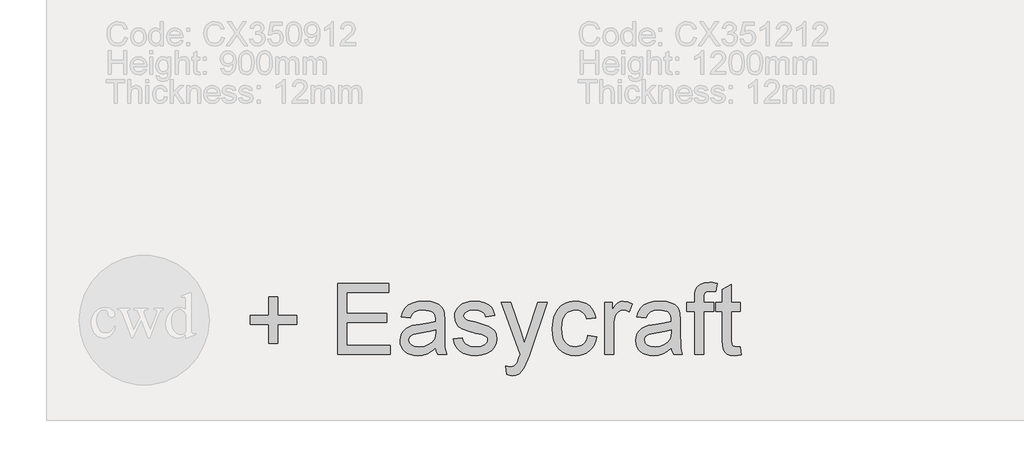
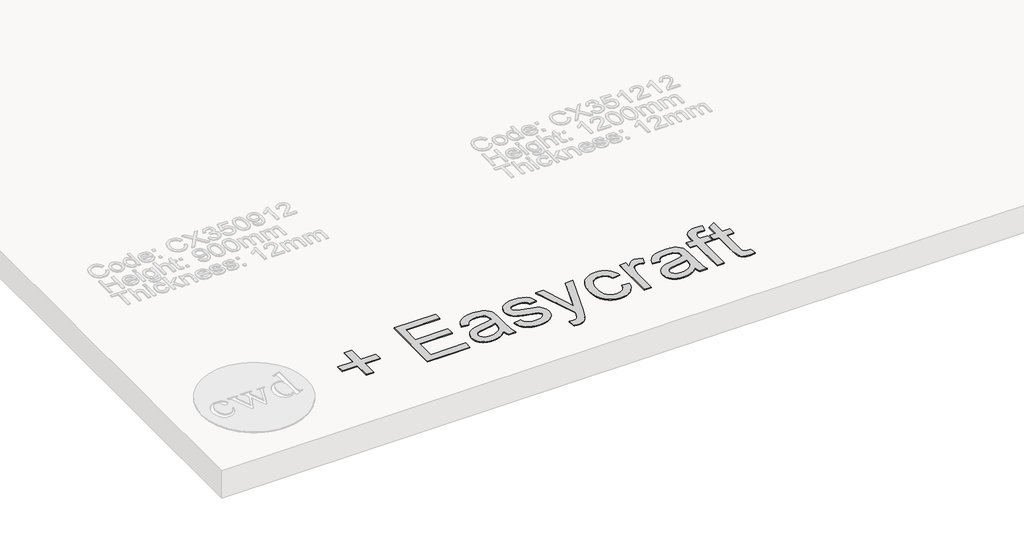
# One storey, part 14 of 95: 1 proxy.
"""IFC4 building model written with IfcOpenShell, lengths in millimetres."""

from ifc_helpers import new_model, si_unit, origin, origin_with_axes, place, context, project, spatial, polyline, outline, extrude, element, save

model = new_model("IFC4")

# Units and contexts
model_context = context("Model", 3, world=origin())
ifc_project = project(units=[si_unit("LENGTHUNIT", "METRE", prefix="MILLI")], contexts=[model_context])

# Site, building, storey
site = spatial("IfcSite", under=ifc_project)
building = spatial("IfcBuilding", under=site)
storey = spatial("IfcBuildingStorey", under=building, Elevation=0.0)

# Proxy
placement = place(None, origin())
element("IfcBuildingElementProxy", 1, Name="600mm", ObjectType="600mm", at=placement, inside=storey, context=model_context, shape_type="SweptSolid", body=[
    extrude(outline(polyline([(-4009.381664, -27827.0991863), (-4009.381664, -27666.996942), (-4169.4839083, -27666.996942), (-4169.4839083, -27591.6547094), (-4009.381664, -27591.6547094), (-4009.381664, -27431.5524651), (-3934.0394314, -27431.5524651), (-3934.0394314, -27591.6547094), (-3773.9371871, -27591.6547094), (-3773.9371871, -27666.996942), (-3934.0394314, -27666.996942), (-3934.0394314, -27827.0991863), (-4009.381664, -27827.0991863)])), origin_with_axes(), (0.0, 0.0, 1.0), 10.0),
    extrude(outline(polyline([(-3425.4793612, -27921.2769771), (-3425.4793612, -27318.5391162), (-2992.2615237, -27318.5391162), (-2992.2615237, -27393.8813488), (-3350.1371286, -27393.8813488), (-3350.1371286, -27572.8191513), (-3011.0970819, -27572.8191513), (-3011.0970819, -27648.1613839), (-3350.1371286, -27648.1613839), (-3350.1371286, -27845.9347445), (-2982.8437446, -27845.9347445), (-2982.8437446, -27921.2769771), (-3425.4793612, -27921.2769771)])), origin_with_axes(), (0.0, 0.0, 1.0), 10.0),
    extrude(outline(polyline([(-2596.7148025, -27864.7703026), (-2632.7120557, -27895.635602), (-2669.7761668, -27915.8323236), (-2708.7532641, -27926.979148), (-2750.4894765, -27930.6947562), (-2784.0357159, -27928.4598731), (-2813.45248, -27921.7552237), (-2838.7397686, -27910.5808081), (-2859.8975819, -27894.9366262), (-2876.604023, -27875.8159596), (-2888.5371952, -27854.2120894), (-2895.6970985, -27830.1250157), (-2898.083733, -27803.5547386), (-2894.4784894, -27772.3215573), (-2883.6627587, -27743.9578554), (-2866.9793103, -27719.6776437), (-2845.7709132, -27700.6949328), (-2820.8469081, -27686.347535), (-2793.0166351, -27675.9732627), (-2727.8279456, -27664.6424973), (-2650.7934558, -27652.7231206), (-2597.1562609, -27638.7436048), (-2596.7148025, -27621.9681858), (-2601.9019386, -27588.3437715), (-2608.3858588, -27575.8909659), (-2617.463347, -27566.3444282), (-2633.1535141, -27556.8162845), (-2652.2649838, -27550.0104676), (-2700.7518307, -27544.565814), (-2745.6334342, -27548.1894517), (-2776.9769801, -27559.0603647), (-2798.3509241, -27579.1651157), (-2813.3237213, -27610.4902676), (-2888.6659539, -27601.0724885), (-2875.587749, -27559.869705), (-2856.0716091, -27527.4960895), (-2828.2965185, -27502.7376312), (-2790.4414612, -27484.3803196), (-2744.1435121, -27473.012766), (-2691.0397461, -27469.2235814), (-2640.1064838, -27472.5713076), (-2599.7314349, -27482.6144861), (-2569.2891998, -27497.716042), (-2548.1543791, -27516.2389004), (-2534.1380751, -27539.1395546), (-2525.0513899, -27567.3744977), (-2521.3725699, -27633.2989513), (-2521.3725699, -27727.0352837), (-2517.5465971, -27857.9276975), (-2511.8812144, -27890.282919), (-2502.5370117, -27921.2769771), (-2577.8792444, -27921.2769771), (-2589.9457738, -27895.083779), (-2596.7148025, -27864.7703026)]), holes=[polyline([(-2596.7148025, -27714.0858374), (-2647.335365, -27726.6306135), (-2718.2630137, -27737.1888267), (-2783.0838213, -27749.402509), (-2799.9512107, -27757.7534302), (-2812.4408045, -27769.2681367), (-2820.1663264, -27783.0637115), (-2822.7415003, -27798.2572379), (-2817.1312999, -27820.6612514), (-2800.3006986, -27839.018563), (-2772.6175785, -27851.2690334), (-2734.4498215, -27855.3525236), (-2693.982802, -27850.8459691), (-2658.2246721, -27837.3263058), (-2629.2355709, -27817.4054958), (-2609.0756375, -27793.6955012), (-2600.1361051, -27769.2681367), (-2597.1562609, -27735.4229931), (-2596.7148025, -27714.0858374)])]), origin_with_axes(), (0.0, 0.0, 1.0), 10.0),
    extrude(outline(polyline([(-2446.0303373, -27789.42807), (-2370.6881047, -27780.010291), (-2366.135565, -27797.1903801), (-2358.8055162, -27812.2367537), (-2348.6979584, -27825.1494118), (-2335.8128915, -27835.9283542), (-2320.1135274, -27844.4264283), (-2301.5630778, -27850.4964812), (-2255.9089222, -27855.3525236), (-2210.8065896, -27850.9011514), (-2193.2770125, -27845.3369362), (-2179.0951616, -27837.547035), (-2160.3331798, -27818.1964421), (-2155.6426844, -27807.3623173), (-2154.0791859, -27795.7556403), (-2155.6518814, -27785.5837032), (-2160.369968, -27776.5522002), (-2179.2423144, -27761.9104968), (-2207.4588634, -27752.3455649), (-2256.791839, -27740.4261883), (-2325.5489839, -27720.5421664), (-2370.2466463, -27703.5644124), (-2398.959836, -27685.0415539), (-2419.7635628, -27660.5222189), (-2432.4003094, -27631.5699059), (-2436.6125582, -27599.7481133), (-2433.2280439, -27570.556677), (-2423.0745008, -27543.6093209), (-2407.071634, -27519.9729027), (-2386.1391485, -27500.7142802), (-2365.3354216, -27488.5925685), (-2338.2409127, -27478.4206313), (-2306.9157608, -27471.5228439), (-2273.4201052, -27469.2235814), (-2224.3814352, -27472.9207955), (-2181.743912, -27484.0124376), (-2147.45731, -27501.413256), (-2123.4714039, -27524.0379987), (-2107.5789017, -27553.5605288), (-2097.5725115, -27591.6547094), (-2172.9147441, -27601.0724885), (-2182.4244936, -27577.3624939), (-2201.2416577, -27559.501823), (-2229.5501772, -27548.2998163), (-2267.5339932, -27544.565814), (-2310.7969159, -27548.1342694), (-2339.6388643, -27558.8396355), (-2355.8624603, -27574.2906793), (-2361.2703256, -27592.0961678), (-2359.0262454, -27603.6844507), (-2352.2940049, -27614.0219347), (-2340.7792985, -27623.2557728), (-2324.1878205, -27630.6502009), (-2259.2934365, -27646.6898559), (-2148.7081088, -27682.1536802), (-2119.4982784, -27699.1130402), (-2097.3517823, -27722.3263941), (-2083.3906605, -27751.8673183), (-2078.7369533, -27787.8093893), (-2084.2000009, -27824.9654708), (-2100.5891438, -27859.9142603), (-2127.2789826, -27889.915037), (-2163.6441178, -27912.22708), (-2207.569228, -27926.0778371), (-2256.9389918, -27930.6947562), (-2297.4887847, -27928.4690701), (-2332.9066238, -27921.7920119), (-2363.192509, -27910.6635815), (-2388.3464404, -27895.083779), (-2408.8926499, -27875.1261808), (-2425.3553692, -27850.8643632), (-2437.7345983, -27822.2983263), (-2446.0303373, -27789.42807)])), origin_with_axes(), (0.0, 0.0, 1.0), 10.0),
    extrude(outline(polyline([(-1993.9769416, -28090.7970005), (-2003.3947207, -28018.250671), (-1965.1349932, -28024.8725469), (-1945.0118481, -28022.7940137), (-1929.3768633, -28016.5584139), (-1917.1999692, -28006.6072059), (-1907.4510963, -27993.3818482), (-1886.8497046, -27937.9052433), (-1880.9635927, -27919.6582963), (-2041.065837, -27478.6413605), (-1961.603326, -27478.6413605), (-1876.6961616, -27724.3865333), (-1847.1184491, -27822.6846024), (-1817.5407367, -27735.8644515), (-1730.2791275, -27478.6413605), (-1651.4052277, -27478.6413605), (-1805.4742073, -27931.8719786), (-1845.4997684, -28030.1700477), (-1865.9907955, -28061.5503819), (-1889.2041494, -28083.2922078), (-1916.1698996, -28095.9841366), (-1947.9181158, -28100.2147796), (-1969.7335181, -28097.8603348), (-1993.9769416, -28090.7970005)])), origin_with_axes(), (0.0, 0.0, 1.0), 10.0),
    extrude(outline(polyline([(-1306.479069, -27761.1747328), (-1231.1368364, -27770.5925119), (-1239.3314079, -27806.1437082), (-1252.1428983, -27837.6022173), (-1269.5713079, -27864.9680392), (-1291.6166364, -27888.2411739), (-1317.349982, -27906.8146162), (-1345.8424425, -27920.0813606), (-1377.094018, -27928.0414073), (-1411.1047085, -27930.6947562), (-1453.3605541, -27926.9929436), (-1491.2478011, -27915.8875059), (-1524.7664494, -27897.378443), (-1553.916499, -27871.465755), (-1577.5115304, -27838.6368854), (-1594.3651244, -27799.379278), (-1604.4772807, -27753.6929327), (-1607.8479995, -27701.5778496), (-1602.0906463, -27634.531356), (-1594.8939547, -27604.3604338), (-1584.8185866, -27576.4243948), (-1571.7955639, -27551.284259), (-1555.755909, -27529.5010463), (-1536.6996216, -27511.0747569), (-1514.6267019, -27496.0053907), (-1490.5350297, -27484.2883491), (-1465.422485, -27475.9190337), (-1439.2890678, -27470.8974445), (-1412.134778, -27469.2235814), (-1378.7081003, -27471.5228439), (-1348.4727988, -27478.4206313), (-1321.4288736, -27489.9169437), (-1297.5763247, -27506.0117809), (-1277.3198224, -27526.3372612), (-1261.0640367, -27550.5255024), (-1248.8089678, -27578.5765045), (-1240.5546155, -27610.4902676), (-1315.8968481, -27619.9080467), (-1329.5636642, -27587.0377904), (-1350.8456376, -27563.4749486), (-1378.565546, -27549.2930977), (-1411.5461669, -27544.565814), (-1437.1461552, -27546.8926677), (-1460.2353489, -27553.8732285), (-1480.813748, -27565.5074966), (-1498.8813525, -27581.795472), (-1513.5920338, -27603.1142336), (-1524.0996633, -27629.8408605), (-1530.404241, -27661.9753528), (-1532.5057669, -27699.5177104), (-1530.4502262, -27737.6256866), (-1524.2836043, -27770.1326594), (-1514.005901, -27797.0386288), (-1499.6171165, -27818.3435949), (-1481.908197, -27834.5350012), (-1461.6700887, -27846.1002914), (-1438.9027917, -27853.0394655), (-1413.606306, -27855.3525236), (-1374.5924204, -27849.5767762), (-1357.7204324, -27842.3570921), (-1342.605081, -27832.2495343), (-1329.6694303, -27819.1437382), (-1319.3365448, -27802.9293393), (-1311.6064243, -27783.6063375), (-1306.479069, -27761.1747328)])), origin_with_axes(), (0.0, 0.0, 1.0), 10.0),
    extrude(outline(polyline([(-1165.2123829, -27921.2769771), (-1165.2123829, -27478.6413605), (-1099.2879293, -27478.6413605), (-1099.2879293, -27544.1243556), (-1074.9341413, -27506.1589337), (-1052.4933396, -27483.7917084), (-1029.9789615, -27472.8656132), (-1005.4044442, -27469.2235814), (-967.8804807, -27475.036117), (-929.767906, -27492.4737235), (-954.9310344, -27560.0168578), (-981.4185381, -27548.428575), (-1007.9060417, -27544.565814), (-1030.4020257, -27548.2814222), (-1050.5067768, -27559.4282466), (-1066.7487669, -27577.1601588), (-1077.656468, -27600.6310301), (-1086.8167297, -27642.7167304), (-1089.8701503, -27688.6284034), (-1089.8701503, -27921.2769771), (-1165.2123829, -27921.2769771)])), origin_with_axes(), (0.0, 0.0, 1.0), 10.0),
    extrude(outline(polyline([(-600.1456383, -27864.7703026), (-636.1428915, -27895.635602), (-673.2070025, -27915.8323236), (-712.1840999, -27926.979148), (-753.9203123, -27930.6947562), (-787.4665517, -27928.4598731), (-816.8833157, -27921.7552237), (-842.1706044, -27910.5808081), (-863.3284176, -27894.9366262), (-880.0348587, -27875.8159596), (-891.968031, -27854.2120894), (-899.1279343, -27830.1250157), (-901.5145687, -27803.5547386), (-897.9093252, -27772.3215573), (-887.0935945, -27743.9578554), (-870.410146, -27719.6776437), (-849.201749, -27700.6949328), (-824.2777438, -27686.347535), (-796.4474709, -27675.9732627), (-731.2587814, -27664.6424973), (-654.2242916, -27652.7231206), (-600.5870967, -27638.7436048), (-600.1456383, -27621.9681858), (-605.3327744, -27588.3437715), (-611.8166946, -27575.8909659), (-620.8941828, -27566.3444282), (-636.5843499, -27556.8162845), (-655.6958196, -27550.0104676), (-704.1826665, -27544.565814), (-749.0642699, -27548.1894517), (-780.4078159, -27559.0603647), (-801.7817598, -27579.1651157), (-816.754557, -27610.4902676), (-892.0967897, -27601.0724885), (-879.0185847, -27559.869705), (-859.5024449, -27527.4960895), (-831.7273543, -27502.7376312), (-793.8722969, -27484.3803196), (-747.5743479, -27473.012766), (-694.4705819, -27469.2235814), (-643.5373196, -27472.5713076), (-603.1622706, -27482.6144861), (-572.7200355, -27497.716042), (-551.5852149, -27516.2389004), (-537.5689109, -27539.1395546), (-528.4822256, -27567.3744977), (-524.8034057, -27633.2989513), (-524.8034057, -27727.0352837), (-520.9774329, -27857.9276975), (-515.3120502, -27890.282919), (-505.9678475, -27921.2769771), (-581.3100801, -27921.2769771), (-593.3766096, -27895.083779), (-600.1456383, -27864.7703026)]), holes=[polyline([(-600.1456383, -27714.0858374), (-650.7662008, -27726.6306135), (-721.6938495, -27737.1888267), (-786.514657, -27749.402509), (-803.3820465, -27757.7534302), (-815.8716403, -27769.2681367), (-823.5971622, -27783.0637115), (-826.1723361, -27798.2572379), (-820.5621357, -27820.6612514), (-803.7315344, -27839.018563), (-776.0484143, -27851.2690334), (-737.8806573, -27855.3525236), (-697.4136378, -27850.8459691), (-661.6555079, -27837.3263058), (-632.6664067, -27817.4054958), (-612.5064733, -27793.6955012), (-603.5669408, -27769.2681367), (-600.5870967, -27735.4229931), (-600.1456383, -27714.0858374)])]), origin_with_axes(), (0.0, 0.0, 1.0), 10.0),
    extrude(outline(polyline([(-402.3722777, -27921.2769771), (-402.3722777, -27553.9835931), (-468.2967312, -27553.9835931), (-468.2967312, -27478.6413605), (-402.3722777, -27478.6413605), (-402.3722777, -27434.0540627), (-400.3857149, -27397.1554986), (-394.4260266, -27371.2198179), (-379.2692884, -27346.167054), (-355.8719935, -27326.3382145), (-323.1304959, -27313.4255565), (-279.9411497, -27309.1213371), (-247.2364403, -27311.1814763), (-211.220793, -27317.3618938), (-222.2572528, -27387.9952369), (-265.6673283, -27384.4635697), (-294.3069416, -27387.5905667), (-313.1241057, -27396.9715576), (-323.5535602, -27414.8874107), (-327.0300451, -27443.6189946), (-327.0300451, -27478.6413605), (-242.2700334, -27478.6413605), (-242.2700334, -27553.9835931), (-327.0300451, -27553.9835931), (-327.0300451, -27921.2769771), (-402.3722777, -27921.2769771)])), origin_with_axes(), (0.0, 0.0, 1.0), 10.0),
    extrude(outline(polyline([(-16.2433355, -27858.4427323), (-6.8255565, -27923.4842691), (-63.1850781, -27930.6947562), (-99.3478783, -27927.5677592), (-126.3136285, -27918.1867683), (-145.3699159, -27903.7290059), (-157.8043273, -27885.3716944), (-164.6469324, -27853.8442074), (-166.9278008, -27799.8759187), (-166.9278008, -27553.9835931), (-223.4344752, -27553.9835931), (-223.4344752, -27478.6413605), (-166.9278008, -27478.6413605), (-166.9278008, -27371.0726651), (-91.5855682, -27326.7796729), (-91.5855682, -27478.6413605), (-16.2433355, -27478.6413605), (-16.2433355, -27553.9835931), (-91.5855682, -27553.9835931), (-91.5855682, -27797.6686267), (-87.6124426, -27836.5169654), (-74.7365728, -27850.275752), (-63.8656598, -27854.0833307), (-49.0584095, -27855.3525236), (-16.2433355, -27858.4427323)])), origin_with_axes(), (0.0, 0.0, 1.0), 10.0),
])

save(model, "model.ifc")
